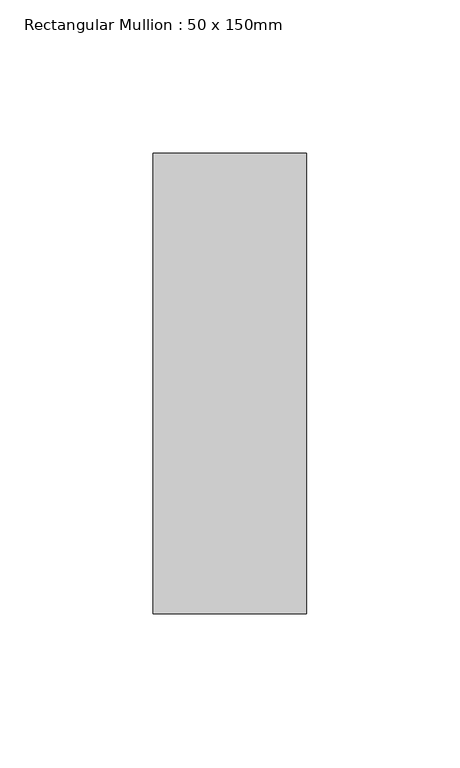
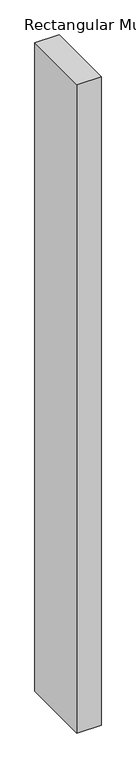
"""IFC4 building model written with IfcOpenShell, lengths in millimetres: member geometry, Rectangular Mullion : 50 x 150mm."""

from ifc_helpers import new_model, si_unit, frame, origin, place, context, project, spatial, polyline, outline, extrude, source, transform, mapped, element, save


def rectangular_mullion_50_x_150mm_03829cfb(model_context):
    return source(origin(), model_context, "Body", "SweptSolid", [
        extrude(outline(polyline([(25.0, 75.0), (25.0, -75.0), (-25.0, -75.0), (-25.0, 75.0), (25.0, 75.0)])), frame((0.0, 0.0, -1416.6666667), z_axis=(0.0, 0.0, 1.0), x_axis=(1.0, 0.0, 0.0)), (0.0, 0.0, 1.0), 1416.6666667),
    ])


if __name__ == "__main__":
    model = new_model("IFC4")
    model_context = context("Model", 3, world=origin())
    ifc_project = project(units=[si_unit("LENGTHUNIT", "METRE", prefix="MILLI")], contexts=[model_context])
    site = spatial("IfcSite", under=ifc_project)
    building = spatial("IfcBuilding", under=site)
    placement = place(None, origin())
    rectangular_mullion_50_x_150mm_shape = rectangular_mullion_50_x_150mm_03829cfb(model_context)
    element("IfcMember", 1, ObjectType="Rectangular Mullion : 50 x 150mm", at=placement, inside=building, context=model_context, shape_type="MappedRepresentation", body=[
        mapped(rectangular_mullion_50_x_150mm_shape, transform((0.0, 0.0, 0.0), x_axis=(1.0, 0.0, 0.0), y_axis=(0.0, 1.0, 0.0), z_axis=(0.0, 0.0, 1.0))),
    ])
    save(model, "model.ifc")
